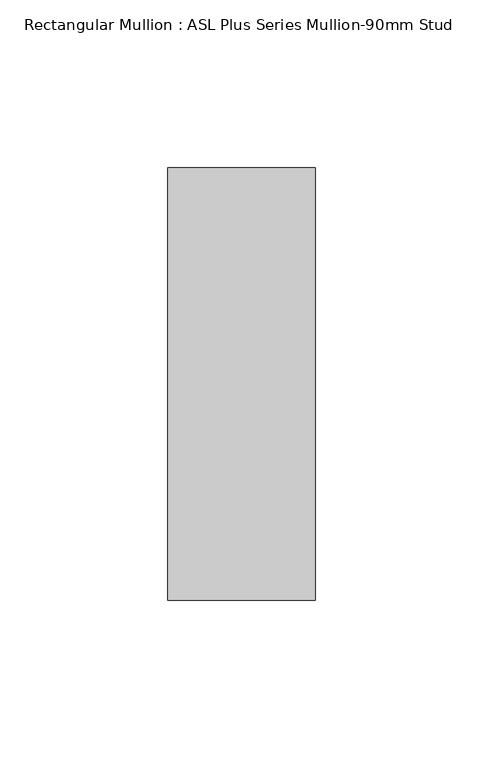
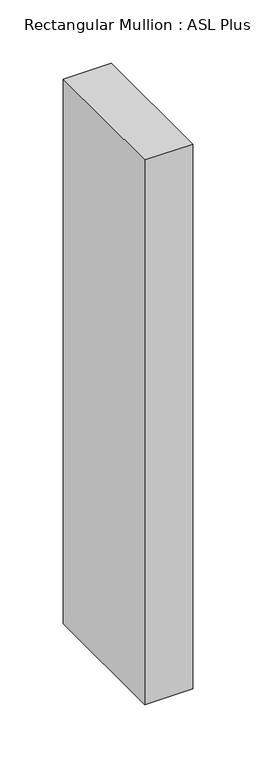
"""IFC4 building model written with IfcOpenShell, lengths in millimetres: member geometry, Rectangular Mullion : ASL Plus Series Mullion-90mm Stud."""

from ifc_helpers import new_model, si_unit, frame, origin, place, context, project, spatial, polyline, outline, extrude, source, transform, mapped, element, save


def rectangular_mullion_asl_plus_series_mullion_90mm_stud_8e28ebce(model_context):
    return source(origin(), model_context, "Body", "SweptSolid", [
        extrude(outline(polyline([(22.0, 64.5), (22.0, -64.5), (-22.0, -64.5), (-22.0, 64.5), (22.0, 64.5)])), frame((0.0, 0.0, -527.0), z_axis=(0.0, 0.0, 1.0), x_axis=(1.0, 0.0, 0.0)), (0.0, 0.0, 1.0), 527.0),
    ])


if __name__ == "__main__":
    model = new_model("IFC4")
    model_context = context("Model", 3, world=origin())
    ifc_project = project(units=[si_unit("LENGTHUNIT", "METRE", prefix="MILLI")], contexts=[model_context])
    site = spatial("IfcSite", under=ifc_project)
    building = spatial("IfcBuilding", under=site)
    placement = place(None, origin())
    rectangular_mullion_asl_plus_series_mullion_90mm_stud_shape = rectangular_mullion_asl_plus_series_mullion_90mm_stud_8e28ebce(model_context)
    element("IfcMember", 1, ObjectType="Rectangular Mullion : ASL Plus Series Mullion-90mm Stud", at=placement, inside=building, context=model_context, shape_type="MappedRepresentation", body=[
        mapped(rectangular_mullion_asl_plus_series_mullion_90mm_stud_shape, transform((0.0, 0.0, 0.0), x_axis=(1.0, 0.0, 0.0), y_axis=(0.0, 1.0, 0.0), z_axis=(0.0, 0.0, 1.0))),
    ])
    save(model, "model.ifc")
